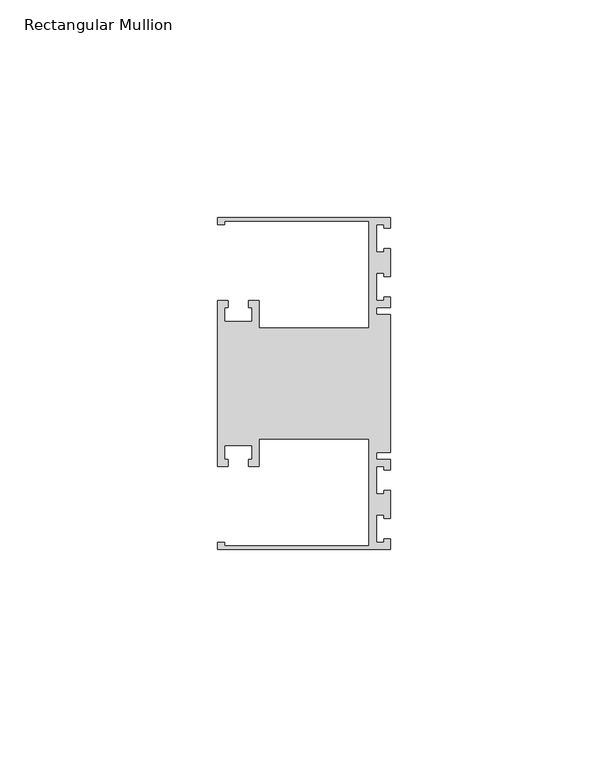
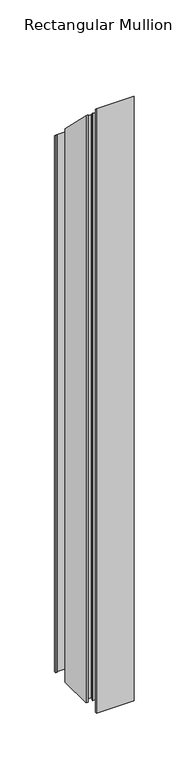
"""IFC4 building model written with IfcOpenShell, lengths in millimetres: member geometry, Rectangular Mullion."""

import ifcopenshell
import ifcopenshell.guid

model = None  # the IFC model being written
_history = None  # IfcOwnerHistory: only IFC2X3 demands one
_inside = {}  # id of a spatial element -> (the spatial element, [elements in it])
_under = {}  # id of a project, library or spatial element -> (it, [spatial elements below it])
_declared = {}  # id of a project -> (the project, [libraries it declares])
_typed = {}  # id of a type object -> (the type object, [elements of that type])
_made_of = {}  # id of a material, layer set ... -> (it, [elements and type objects made of it])


def new_model(schema):
    """Start an empty IFC model of exactly this schema.

    Asked for "IFC4X3", IfcOpenShell would pick the latest addendum, in which some entities
    have other attributes; the version numbers below select the first issue.
    IFC2X3 requires an IfcOwnerHistory on every rooted entity: one is made here for all.
    """
    global model, _history
    if schema == "IFC4X3":
        model = ifcopenshell.file(schema_version=(4, 3, 0, 0))
    else:
        model = ifcopenshell.file(schema=schema)
    _inside.clear()
    _under.clear()
    _declared.clear()
    _typed.clear()
    _made_of.clear()
    _history = None
    if model.schema == "IFC2X3":
        org = make("IfcOrganization", Name="unknown")
        user = make(
            "IfcPersonAndOrganization",
            ThePerson=make("IfcPerson", FamilyName="unknown"),
            TheOrganization=org,
        )
        app = make(
            "IfcApplication",
            ApplicationDeveloper=org,
            Version="unknown",
            ApplicationFullName="unknown",
            ApplicationIdentifier="unknown",
        )
        _history = make(
            "IfcOwnerHistory",
            OwningUser=user,
            OwningApplication=app,
            ChangeAction="ADDED",
            CreationDate=0,
        )
    return model


def make(cls, **values):
    """One entity of the class cls with the attributes given. An attribute that is None is left unset."""
    return model.create_entity(
        cls, **{name: value for name, value in values.items() if value is not None}
    )


def rooted(cls, **values):
    """An entity with a GlobalId (a new one), such as an element, a storey or a relation."""
    return make(cls, GlobalId=ifcopenshell.guid.new(), OwnerHistory=_history, **values)


def si_unit(unit_type, name, prefix=None):
    """IfcSIUnit, for example si_unit("LENGTHUNIT", "METRE", prefix="MILLI")."""
    return make("IfcSIUnit", UnitType=unit_type, Prefix=prefix, Name=name)


def assignment(units):
    """IfcUnitAssignment: the units of a project."""
    return None if units is None else make("IfcUnitAssignment", Units=units)


def point(xyz):
    """IfcCartesianPoint."""
    return None if xyz is None else make("IfcCartesianPoint", Coordinates=xyz)


def direction(xyz):
    """IfcDirection."""
    return None if xyz is None else make("IfcDirection", DirectionRatios=xyz)


def frame(location, z_axis=None, x_axis=None):
    """IfcAxis2Placement3D, a coordinate frame: its origin and axes. An axis left out is left unset."""
    return make(
        "IfcAxis2Placement3D",
        Location=point(location),
        Axis=direction(z_axis),
        RefDirection=direction(x_axis),
    )


def origin():
    """The frame at (0, 0, 0) with its axes left unset."""
    return frame((0.0, 0.0, 0.0))


def place(relative_to, where):
    """IfcLocalPlacement: puts the frame where relative to a parent placement (None: the world)."""
    return make(
        "IfcLocalPlacement", PlacementRelTo=relative_to, RelativePlacement=where
    )


def context(
    kind, dimensions, precision=None, world=None, true_north=None, identifier=None
):
    """IfcGeometricRepresentationContext, for example the 3D "Model" context."""
    return make(
        "IfcGeometricRepresentationContext",
        ContextIdentifier=identifier,
        ContextType=kind,
        CoordinateSpaceDimension=dimensions,
        Precision=precision,
        WorldCoordinateSystem=world,
        TrueNorth=true_north,
    )


def project(units=None, contexts=None):
    """IfcProject with its units and contexts."""
    return rooted(
        "IfcProject",
        Name="project",
        RepresentationContexts=contexts,
        UnitsInContext=assignment(units),
    )


def spatial(cls, under=None, at=None, **own):
    """A site, building, storey or space (cls), placed at a placement, below another one or the project."""
    s = rooted(cls, ObjectPlacement=at, **own)
    if under is not None:
        _under.setdefault(under.id(), (under, []))[1].append(s)
    return s


def faces_of(points, faces, orient=None, outer=None):
    """IfcFace entities. A face is a list of loops; a loop is a list of indices into points, from 0.

    orient and outer hold one flag for each loop. By default every Orientation is true, the
    first loop of a face is its IfcFaceOuterBound and the others are IfcFaceBound.
    """
    made = []
    for i, loops in enumerate(faces):
        bounds = []
        for j, loop in enumerate(loops):
            is_outer = j == 0 if outer is None else outer[i][j]
            bounds.append(
                make(
                    "IfcFaceOuterBound" if is_outer else "IfcFaceBound",
                    Bound=make("IfcPolyLoop", Polygon=[points[k] for k in loop]),
                    Orientation=True if orient is None else orient[i][j],
                )
            )
        made.append(make("IfcFace", Bounds=bounds))
    return made


def faceted_brep(points, faces, orient=None, outer=None, voids=None):
    """IfcFacetedBrep: a solid bounded by flat faces; with voids (closed shells), ...WithVoids."""
    shared = [point(p) for p in points]
    hull = make("IfcClosedShell", CfsFaces=faces_of(shared, faces, orient, outer))
    if voids is None:
        return make("IfcFacetedBrep", Outer=hull)
    return make(
        "IfcFacetedBrepWithVoids",
        Outer=hull,
        Voids=[
            make(cls, CfsFaces=faces_of(shared, fs, o, b)) for cls, fs, o, b in voids
        ],
    )


def shape(context_of_items, identifier, shape_type, items):
    """IfcShapeRepresentation: the items that make up one representation, for example the "Body"."""
    return make(
        "IfcShapeRepresentation",
        ContextOfItems=context_of_items,
        RepresentationIdentifier=identifier,
        RepresentationType=shape_type,
        Items=items,
    )


def source(mapping_origin, context_of_items, identifier, shape_type, items):
    """IfcRepresentationMap: a shape defined once, which mapped items show again and again."""
    return make(
        "IfcRepresentationMap",
        MappingOrigin=mapping_origin,
        MappedRepresentation=shape(context_of_items, identifier, shape_type, items),
    )


def transform(
    local_origin,
    x_axis=None,
    y_axis=None,
    z_axis=None,
    scale=None,
    scale2=None,
    scale3=None,
    uniform=True,
):
    """IfcCartesianTransformationOperator3D, or its non-uniform kind. x_axis, y_axis, z_axis: its Axis1, 2, 3."""
    if uniform:
        return make(
            "IfcCartesianTransformationOperator3D",
            Axis1=direction(x_axis),
            Axis2=direction(y_axis),
            LocalOrigin=point(local_origin),
            Scale=scale,
            Axis3=direction(z_axis),
        )
    return make(
        "IfcCartesianTransformationOperator3DnonUniform",
        Axis1=direction(x_axis),
        Axis2=direction(y_axis),
        LocalOrigin=point(local_origin),
        Scale=scale,
        Axis3=direction(z_axis),
        Scale2=scale2,
        Scale3=scale3,
    )


def mapped(mapping_source, mapping_target):
    """IfcMappedItem: shows the shape of a source again, moved by a transform."""
    return make(
        "IfcMappedItem", MappingSource=mapping_source, MappingTarget=mapping_target
    )


def made_of(thing, what):
    """Note that an element or type object is made of a material, layer set ...; save() writes the relation."""
    if what is not None:
        _made_of.setdefault(what.id(), (what, []))[1].append(thing)
    return thing


def element(
    cls,
    number,
    at=None,
    inside=None,
    cuts=None,
    type_object=None,
    material=None,
    context=None,
    identifier="Body",
    shape_type=None,
    held_by="IfcProductDefinitionShape",
    body=None,
    shapes=None,
    **own,
):
    """One element of the class cls, such as IfcWall. Its Tag is "e" and its number.

    at: its placement. inside: the storey or other place that contains it. cuts: it is an
    opening in that element (IfcRelVoidsElement). A single representation is given by context,
    identifier, shape_type and body (its items); several are given by shapes. held_by: the class
    of the entity that holds the representations. save() writes the other relations.
    """
    e = rooted(cls, Tag="e%d" % number, ObjectPlacement=at, **own)
    if body is not None:
        shapes = [shape(context, identifier, shape_type, body)]
    if shapes is not None:
        e.Representation = make(held_by, Representations=shapes)
    if inside is not None:
        _inside.setdefault(inside.id(), (inside, []))[1].append(e)
    if cuts is not None:
        rooted(
            "IfcRelVoidsElement", RelatingBuildingElement=cuts, RelatedOpeningElement=e
        )
    if type_object is not None:
        _typed.setdefault(type_object.id(), (type_object, []))[1].append(e)
    return made_of(e, material)


def aggregate(whole, parts):
    """IfcRelAggregates: a whole, such as a stair, and the parts it consists of."""
    return rooted("IfcRelAggregates", RelatingObject=whole, RelatedObjects=parts)


def save(model, path):
    """Write the relations noted so far, then the file.

    IfcRelAggregates (storeys below a building ...), IfcRelContainedInSpatialStructure (elements
    in a storey), IfcRelDefinesByType, IfcRelAssociatesMaterial and IfcRelDeclares: one each for
    every whole, place, type object, material and project.
    """
    for whole, parts in _under.values():
        aggregate(whole, parts)
    for where, things in _inside.values():
        rooted(
            "IfcRelContainedInSpatialStructure",
            RelatedElements=things,
            RelatingStructure=where,
        )
    for kind, things in _typed.values():
        rooted("IfcRelDefinesByType", RelatedObjects=things, RelatingType=kind)
    for what, things in _made_of.values():
        rooted("IfcRelAssociatesMaterial", RelatedObjects=things, RelatingMaterial=what)
    for by, libraries in _declared.values():
        rooted("IfcRelDeclares", RelatingContext=by, RelatedDefinitions=libraries)
    model.write(path)


def rectangular_mullion_a51e1a09(model_context):
    return source(origin(), model_context, "Body", "Brep", [
        faceted_brep([(0.0, -38.1, -635.0), (-39.6875, -38.1, -635.0), (-39.6875, -36.5125, -635.0), (-38.1, -36.5125, -635.0), (-38.1, -37.30625, -635.0), (-4.8585733, -37.30625, -635.0), (-4.8585733, -12.6999969, -635.0), (-30.1625, -12.6999969, -635.0), (-30.1625, -19.05, -635.0), (-32.54375, -19.05, -635.0), (-32.54375, -17.4625, -635.0), (-31.75, -17.4625, -635.0), (-31.75, -14.2875, -635.0), (-38.1, -14.2875, -635.0), (-38.1, -17.4625, -635.0), (-37.30625, -17.4625, -635.0), (-37.30625, -19.05, -635.0), (-39.6875, -19.05, -635.0), (-39.6875, 19.05, -635.0), (-37.30625, 19.05, -635.0), (-37.30625, 17.4625, -635.0), (-38.1, 17.4625, -635.0), (-38.1, 14.2875, -635.0), (-31.75, 14.2875, -635.0), (-31.75, 17.4625, -635.0), (-32.54375, 17.4625, -635.0), (-32.54375, 19.05, -635.0), (-30.1625, 19.05, -635.0), (-30.1625, 12.6999969, -635.0), (-4.8585733, 12.6999969, -635.0), (-4.8585733, 37.30625, -635.0), (-38.1, 37.30625, -635.0), (-38.1, 36.5125, -635.0), (-39.6875, 36.5125, -635.0), (-39.6875, 38.1, -635.0), (0.0, 38.1, -635.0), (0.0, 35.71875, -635.0), (-1.4999946, 35.71875, -635.0), (-1.4999946, 36.5125, -635.0), (-3.175, 36.5125, -635.0), (-3.175, 30.1625, -635.0), (-1.4999946, 30.1625, -635.0), (-1.4999946, 30.95625, -635.0), (0.0, 30.95625, -635.0), (0.0, 24.60625, -635.0), (-1.4999946, 24.60625, -635.0), (-1.4999946, 25.4, -635.0), (-3.175, 25.4, -635.0), (-3.175, 19.05, -635.0), (-1.4999946, 19.05, -635.0), (-1.4999946, 19.84375, -635.0), (0.0, 19.84375, -635.0), (0.0, 17.4625, -635.0), (-3.175, 17.4625, -635.0), (-3.175, 15.875, -635.0), (0.0, 15.875, -635.0), (0.0, -15.875, -635.0), (-3.175, -15.875, -635.0), (-3.175, -17.4625, -635.0), (0.0, -17.4625, -635.0), (0.0, -19.84375, -635.0), (-1.4999946, -19.84375, -635.0), (-1.4999946, -19.05, -635.0), (-3.175, -19.05, -635.0), (-3.175, -25.4, -635.0), (-1.4999946, -25.4, -635.0), (-1.4999946, -24.60625, -635.0), (0.0, -24.60625, -635.0), (0.0, -30.95625, -635.0), (-1.4999946, -30.95625, -635.0), (-1.4999946, -30.1625, -635.0), (-3.175, -30.1625, -635.0), (-3.175, -36.5125, -635.0), (-1.4999946, -36.5125, -635.0), (-1.4999946, -35.71875, -635.0), (0.0, -35.71875, -635.0), (0.0, -35.71875, 35.71875), (0.0, -38.1, 38.1), (-1.4999946, -35.71875, 35.71875), (-1.4999946, -36.5125, 36.5125), (-3.175, -36.5125, 36.5125), (-3.175, -30.1625, 30.1625), (-1.4999946, -30.1625, 30.1625), (-1.4999946, -30.95625, 30.95625), (0.0, -30.95625, 30.95625), (0.0, -24.60625, 24.60625), (-1.4999946, -24.60625, 24.60625), (-1.4999946, -25.4, 25.4), (-3.175, -25.4, 25.4), (-3.175, -19.05, 19.05), (-1.4999946, -19.05, 19.05), (-1.4999946, -19.84375, 19.84375), (0.0, -19.84375, 19.84375), (0.0, -17.4625, 17.4625), (-3.175, -17.4625, 17.4625), (-3.175, -15.875, 15.875), (0.0, -15.875, 15.875), (0.0, 15.875, -15.875), (-3.175, 15.875, -15.875), (-3.175, 17.4625, -17.4625), (0.0, 17.4625, -17.4625), (0.0, 19.84375, -19.84375), (-1.4999946, 19.84375, -19.84375), (-1.4999946, 19.05, -19.05), (-3.175, 19.05, -19.05), (-3.175, 25.4, -25.4), (-1.4999946, 25.4, -25.4), (-1.4999946, 24.60625, -24.60625), (0.0, 24.60625, -24.60625), (0.0, 30.95625, -30.95625), (-1.4999946, 30.95625, -30.95625), (-1.4999946, 30.1625, -30.1625), (-3.175, 30.1625, -30.1625), (-3.175, 36.5125, -36.5125), (-1.4999946, 36.5125, -36.5125), (-1.4999946, 35.71875, -35.71875), (0.0, 35.71875, -35.71875), (0.0, 38.1, -38.1), (-39.6875, 38.1, -38.1), (-39.6875, 36.5125, -36.5125), (-38.1, 36.5125, -36.5125), (-38.1, 37.30625, -37.30625), (-4.8585733, 37.30625, -37.30625), (-4.8585733, 12.6999969, -12.6999969), (-30.1625, 12.6999969, -12.6999969), (-30.1625, 19.05, -19.05), (-32.54375, 19.05, -19.05), (-32.54375, 17.4625, -17.4625), (-31.75, 17.4625, -17.4625), (-31.75, 14.2875, -14.2875), (-38.1, 14.2875, -14.2875), (-38.1, 17.4625, -17.4625), (-37.30625, 17.4625, -17.4625), (-37.30625, 19.05, -19.05), (-39.6875, 19.05, -19.05), (-39.6875, -19.05, 19.05), (-37.30625, -19.05, 19.05), (-37.30625, -17.4625, 17.4625), (-38.1, -17.4625, 17.4625), (-38.1, -14.2875, 14.2875), (-31.75, -14.2875, 14.2875), (-31.75, -17.4625, 17.4625), (-32.54375, -17.4625, 17.4625), (-32.54375, -19.05, 19.05), (-30.1625, -19.05, 19.05), (-30.1625, -12.6999969, 12.6999969), (-4.8585733, -12.6999969, 12.6999969), (-4.8585733, -37.30625, 37.30625), (-38.1, -37.30625, 37.30625), (-38.1, -36.5125, 36.5125), (-39.6875, -36.5125, 36.5125), (-39.6875, -38.1, 38.1)], [[[0, 1, 2, 3, 4, 5, 6, 7, 8, 9, 10, 11, 12, 13, 14, 15, 16, 17, 18, 19, 20, 21, 22, 23, 24, 25, 26, 27, 28, 29, 30, 31, 32, 33, 34, 35, 36, 37, 38, 39, 40, 41, 42, 43, 44, 45, 46, 47, 48, 49, 50, 51, 52, 53, 54, 55, 56, 57, 58, 59, 60, 61, 62, 63, 64, 65, 66, 67, 68, 69, 70, 71, 72, 73, 74, 75]], [[76, 77, 0, 75]], [[78, 76, 75, 74]], [[79, 78, 74, 73]], [[80, 79, 73, 72]], [[81, 80, 72, 71]], [[82, 81, 71, 70]], [[83, 82, 70, 69]], [[84, 83, 69, 68]], [[85, 84, 68, 67]], [[86, 85, 67, 66]], [[87, 86, 66, 65]], [[88, 87, 65, 64]], [[89, 88, 64, 63]], [[90, 89, 63, 62]], [[91, 90, 62, 61]], [[92, 91, 61, 60]], [[93, 92, 60, 59]], [[94, 93, 59, 58]], [[95, 94, 58, 57]], [[96, 95, 57, 56]], [[97, 96, 56, 55]], [[98, 97, 55, 54]], [[99, 98, 54, 53]], [[100, 99, 53, 52]], [[101, 100, 52, 51]], [[102, 101, 51, 50]], [[103, 102, 50, 49]], [[104, 103, 49, 48]], [[105, 104, 48, 47]], [[106, 105, 47, 46]], [[107, 106, 46, 45]], [[108, 107, 45, 44]], [[109, 108, 44, 43]], [[110, 109, 43, 42]], [[111, 110, 42, 41]], [[112, 111, 41, 40]], [[113, 112, 40, 39]], [[114, 113, 39, 38]], [[115, 114, 38, 37]], [[116, 115, 37, 36]], [[117, 116, 36, 35]], [[118, 117, 35, 34]], [[119, 118, 34, 33]], [[120, 119, 33, 32]], [[121, 120, 32, 31]], [[122, 121, 31, 30]], [[123, 122, 30, 29]], [[124, 123, 29, 28]], [[125, 124, 28, 27]], [[126, 125, 27, 26]], [[127, 126, 26, 25]], [[128, 127, 25, 24]], [[129, 128, 24, 23]], [[130, 129, 23, 22]], [[131, 130, 22, 21]], [[132, 131, 21, 20]], [[133, 132, 20, 19]], [[134, 133, 19, 18]], [[135, 134, 18, 17]], [[136, 135, 17, 16]], [[137, 136, 16, 15]], [[138, 137, 15, 14]], [[139, 138, 14, 13]], [[140, 139, 13, 12]], [[141, 140, 12, 11]], [[142, 141, 11, 10]], [[143, 142, 10, 9]], [[144, 143, 9, 8]], [[145, 144, 8, 7]], [[146, 145, 7, 6]], [[147, 146, 6, 5]], [[148, 147, 5, 4]], [[149, 148, 4, 3]], [[150, 149, 3, 2]], [[151, 150, 2, 1]], [[77, 151, 1, 0]], [[77, 76, 78, 79, 80, 81, 82, 83, 84, 85, 86, 87, 88, 89, 90, 91, 92, 93, 94, 95, 96, 97, 98, 99, 100, 101, 102, 103, 104, 105, 106, 107, 108, 109, 110, 111, 112, 113, 114, 115, 116, 117, 118, 119, 120, 121, 122, 123, 124, 125, 126, 127, 128, 129, 130, 131, 132, 133, 134, 135, 136, 137, 138, 139, 140, 141, 142, 143, 144, 145, 146, 147, 148, 149, 150, 151]]]),
    ])


if __name__ == "__main__":
    model = new_model("IFC4")
    model_context = context("Model", 3, world=origin())
    ifc_project = project(units=[si_unit("LENGTHUNIT", "METRE", prefix="MILLI")], contexts=[model_context])
    site = spatial("IfcSite", under=ifc_project)
    building = spatial("IfcBuilding", under=site)
    placement = place(None, origin())
    rectangular_mullion_shape = rectangular_mullion_a51e1a09(model_context)
    element("IfcMember", 1, ObjectType="Rectangular Mullion", at=placement, inside=building, context=model_context, shape_type="MappedRepresentation", body=[
        mapped(rectangular_mullion_shape, transform((0.0, 0.0, 0.0), x_axis=(1.0, 0.0, 0.0), y_axis=(0.0, 1.0, 0.0), z_axis=(0.0, 0.0, 1.0))),
    ])
    save(model, "model.ifc")
